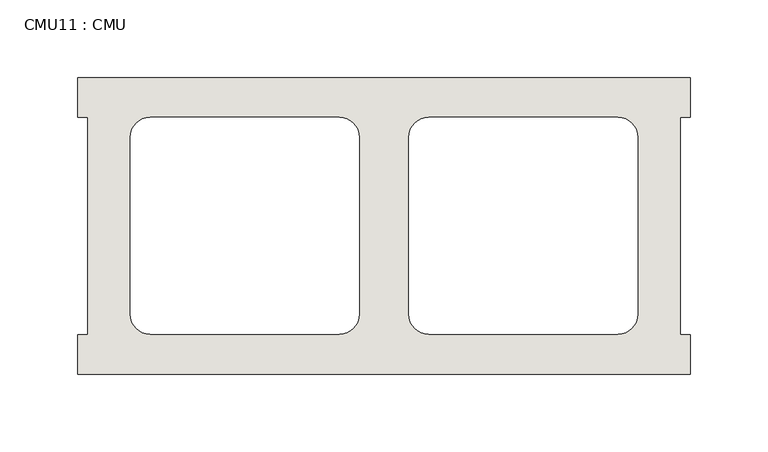
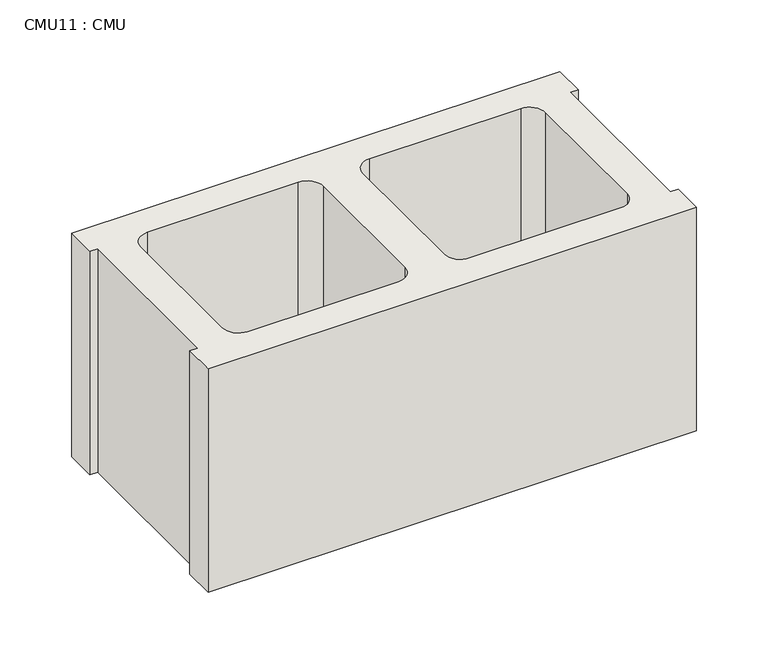
"""IFC4 building model written with IfcOpenShell, lengths in millimetres: wall geometry, CMU11 : CMU."""

from ifc_helpers import new_model, si_unit, point, frame, frame_2d, origin, place, context, project, spatial, polyline, circle_curve, trimmed, segment, composite_curve, outline, extrude, source, transform, mapped, element, save


def cmu11_cmu_a791ff53(model_context):
    return source(origin(), model_context, "Body", "SweptSolid", [
        extrude(outline(polyline([(-747.8397938, 2484.2276522), (-354.1397938, 2484.2276522), (-354.1397938, 2458.8276522), (-360.4897938, 2458.8276522), (-360.4897938, 2319.1276522), (-354.1397938, 2319.1276522), (-354.1397938, 2293.7276522), (-747.8397938, 2293.7276522), (-747.8397938, 2319.1276522), (-741.4897938, 2319.1276522), (-741.4897938, 2458.8276522), (-747.8397938, 2458.8276522), (-747.8397938, 2484.2276522)]), holes=[composite_curve([segment(polyline([(-579.6717951, 2458.8276522), (-701.3884452, 2458.8276522)]), True, "CONTINUOUS"), segment(trimmed(circle_curve(frame_2d((-701.3884452, 2446.1276522)), 12.7), [point((-701.3884452, 2458.8276522))], [point((-714.0884452, 2446.1276522))], True, "CARTESIAN"), True, "CONTINUOUS"), segment(polyline([(-714.0884452, 2446.1276522), (-714.0884452, 2332.0618125)]), True, "CONTINUOUS"), segment(trimmed(circle_curve(frame_2d((-701.3884452, 2332.0618125)), 12.7), [point((-714.0884452, 2332.0618125))], [point((-701.3884452, 2319.3618125))], True, "CARTESIAN"), True, "CONTINUOUS"), segment(polyline([(-701.3884452, 2319.3618125), (-579.6717951, 2319.3618125)]), True, "CONTINUOUS"), segment(trimmed(circle_curve(frame_2d((-579.6717951, 2332.0618125)), 12.7), [point((-579.6717951, 2319.3618125))], [point((-566.9717951, 2332.0618125))], True, "CARTESIAN"), True, "CONTINUOUS"), segment(polyline([(-566.9717951, 2332.0618125), (-566.9717951, 2446.1276522)]), True, "CONTINUOUS"), segment(trimmed(circle_curve(frame_2d((-579.6717951, 2446.1276522)), 12.7), [point((-566.9717951, 2446.1276522))], [point((-579.6717951, 2458.8276522))], True, "CARTESIAN"), True, "CONTINUOUS")], self_intersect=False), composite_curve([segment(trimmed(circle_curve(frame_2d((-522.3077925, 2446.1276522)), 12.7), [point((-522.3077925, 2458.8276522))], [point((-535.0077925, 2446.1276522))], True, "CARTESIAN"), True, "CONTINUOUS"), segment(polyline([(-535.0077925, 2446.1276522), (-535.0077925, 2332.0618125)]), True, "CONTINUOUS"), segment(trimmed(circle_curve(frame_2d((-522.3077925, 2332.0618125)), 12.7), [point((-535.0077925, 2332.0618125))], [point((-522.3077925, 2319.3618125))], True, "CARTESIAN"), True, "CONTINUOUS"), segment(polyline([(-522.3077925, 2319.3618125), (-400.5911424, 2319.3618125)]), True, "CONTINUOUS"), segment(trimmed(circle_curve(frame_2d((-400.5911424, 2332.0618125)), 12.7), [point((-400.5911424, 2319.3618125))], [point((-387.8911424, 2332.0618125))], True, "CARTESIAN"), True, "CONTINUOUS"), segment(polyline([(-387.8911424, 2332.0618125), (-387.8911424, 2446.1276522)]), True, "CONTINUOUS"), segment(trimmed(circle_curve(frame_2d((-400.5911424, 2446.1276522)), 12.7), [point((-387.8911424, 2446.1276522))], [point((-400.5911424, 2458.8276522))], True, "CARTESIAN"), True, "CONTINUOUS"), segment(polyline([(-400.5911424, 2458.8276522), (-522.3077925, 2458.8276522)]), True, "CONTINUOUS")], self_intersect=False)]), frame((0.0, 0.0, 520.7), z_axis=(0.0, 0.0, 1.0), x_axis=(1.0, 0.0, 0.0)), (0.0, 0.0, 1.0), 190.5),
    ])


if __name__ == "__main__":
    model = new_model("IFC4")
    model_context = context("Model", 3, world=origin())
    ifc_project = project(units=[si_unit("LENGTHUNIT", "METRE", prefix="MILLI")], contexts=[model_context])
    site = spatial("IfcSite", under=ifc_project)
    building = spatial("IfcBuilding", under=site)
    placement = place(None, origin())
    cmu11_cmu_shape = cmu11_cmu_a791ff53(model_context)
    element("IfcWall", 1, ObjectType="CMU11 : CMU", at=placement, inside=building, context=model_context, shape_type="MappedRepresentation", body=[
        mapped(cmu11_cmu_shape, transform((0.0, 0.0, 0.0), x_axis=(1.0, 0.0, 0.0), y_axis=(0.0, 1.0, 0.0), z_axis=(0.0, 0.0, 1.0))),
    ])
    save(model, "model.ifc")
